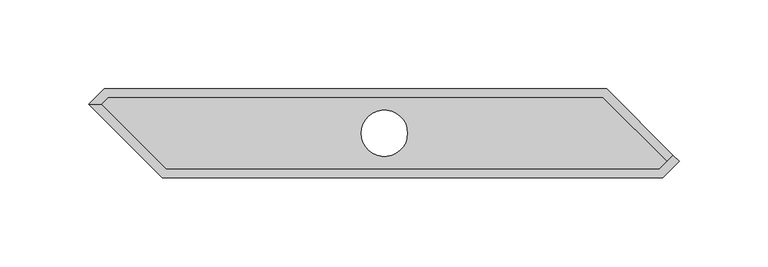
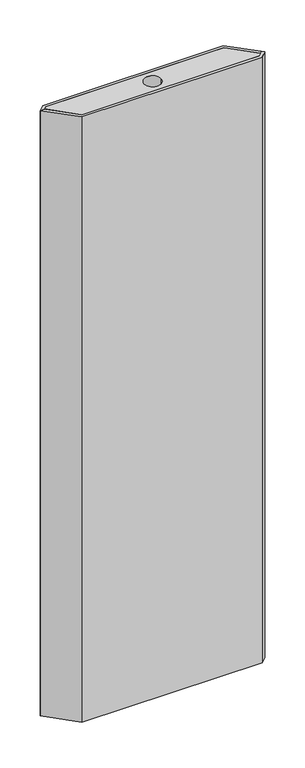
"""IFC4 building model written with IfcOpenShell, lengths in millimetres: proxy geometry."""

from ifc_helpers import new_model, si_unit, point, frame_2d, origin, origin_with_axes, place, context, project, spatial, polyline, circle_curve, trimmed, segment, composite_curve, outline, extrude, source, transform, mapped, element, save


def generic_models_99c93cd7(model_context):
    return source(origin(), model_context, "Body", "SweptSolid", [
        extrude(outline(polyline([(97.9289322, -5.0), (133.8010174, -40.8720852), (129.6731025, -45.0), (-147.645334, -45.0), (-183.9644661, -8.6808679), (-180.2835982, -5.0), (97.9289322, -5.0)]), holes=[composite_curve([segment(trimmed(circle_curve(frame_2d((-25.0, -25.0)), 13.0), [point((-38.0, -25.0))], [point((-12.0, -25.0))], True, "CARTESIAN"), True, "CONTINUOUS"), segment(trimmed(circle_curve(frame_2d((-25.0, -25.0)), 13.0), [point((-12.0, -25.0))], [point((-38.0, -25.0))], True, "CARTESIAN"), True, "CONTINUOUS")], self_intersect=False)]), origin_with_axes(), (0.0, 0.0, 1.0), 1000.0),
        extrude(outline(polyline([(100.0, 0.0), (137.3365513, -37.3365513), (133.8010174, -40.8720852), (97.9289322, -5.0), (-180.2835982, -5.0), (-183.9644661, -8.6808679), (-191.3191321, -8.6808679), (-182.6382641, 0.0), (100.0, 0.0)])), origin_with_axes(), (0.0, 0.0, 1.0), 1000.0),
        extrude(outline(polyline([(140.8720852, -40.8720852), (131.7441703, -50.0), (-150.0, -50.0), (-191.3191321, -8.6808679), (-183.9644661, -8.6808679), (-147.645334, -45.0), (129.6731025, -45.0), (137.3365513, -37.3365513), (140.8720852, -40.8720852)])), origin_with_axes(), (0.0, 0.0, 1.0), 1000.0),
    ])


if __name__ == "__main__":
    model = new_model("IFC4")
    model_context = context("Model", 3, world=origin())
    ifc_project = project(units=[si_unit("LENGTHUNIT", "METRE", prefix="MILLI")], contexts=[model_context])
    site = spatial("IfcSite", under=ifc_project)
    building = spatial("IfcBuilding", under=site)
    placement = place(None, origin())
    generic_models_shape = generic_models_99c93cd7(model_context)
    element("IfcBuildingElementProxy", 1, Name="Generic Models", at=placement, inside=building, context=model_context, shape_type="MappedRepresentation", body=[
        mapped(generic_models_shape, transform((0.0, 0.0, 0.0), x_axis=(1.0, 0.0, 0.0), y_axis=(0.0, 1.0, 0.0), z_axis=(0.0, 0.0, 1.0))),
    ])
    save(model, "model.ifc")
